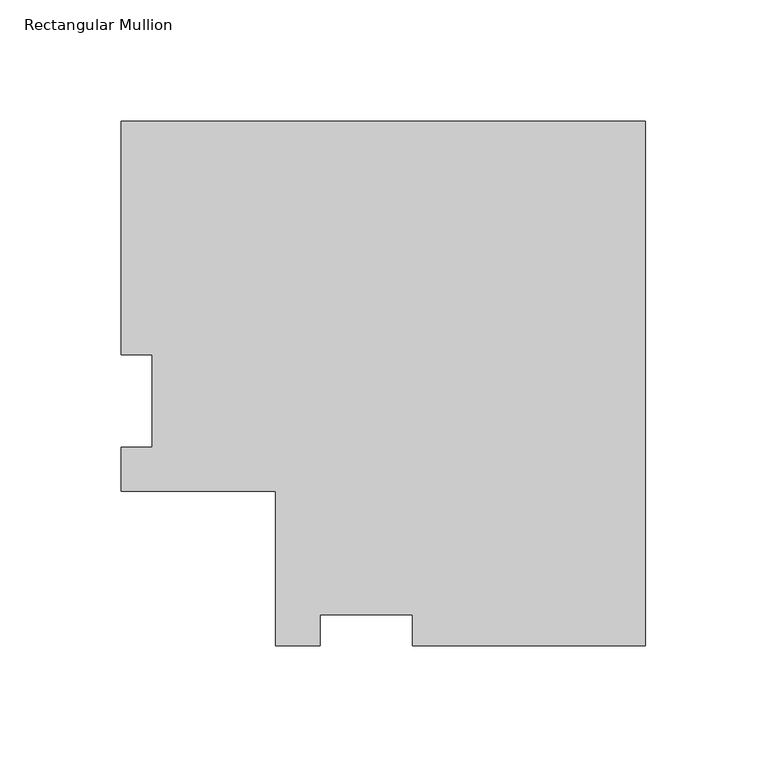
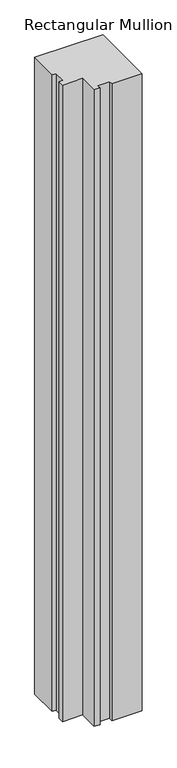
"""IFC4 building model written with IfcOpenShell, lengths in millimetres: member geometry, Rectangular Mullion."""

from ifc_helpers import new_model, si_unit, frame, origin, place, context, project, spatial, polyline, outline, extrude, source, transform, mapped, element, save


def rectangular_mullion_c9bbc443(model_context):
    return source(origin(), model_context, "Body", "SweptSolid", [
        extrude(outline(polyline([(0.0, 152.765125), (0.0, -63.134875), (-96.012, -63.134875), (-96.012, -50.434875), (-134.112, -50.434875), (-134.112, -63.134875), (-152.4, -63.134875), (-152.4, 0.365125), (-215.9, 0.365125), (-215.9, 18.653125), (-203.2, 18.653125), (-203.2, 56.753125), (-215.9, 56.753125), (-215.9, 152.765125), (0.0, 152.765125)])), frame((0.0, 0.0, -2133.6), z_axis=(0.0, 0.0, 1.0), x_axis=(1.0, 0.0, 0.0)), (0.0, 0.0, 1.0), 2133.6),
    ])


if __name__ == "__main__":
    model = new_model("IFC4")
    model_context = context("Model", 3, world=origin())
    ifc_project = project(units=[si_unit("LENGTHUNIT", "METRE", prefix="MILLI")], contexts=[model_context])
    site = spatial("IfcSite", under=ifc_project)
    building = spatial("IfcBuilding", under=site)
    placement = place(None, origin())
    rectangular_mullion_shape = rectangular_mullion_c9bbc443(model_context)
    element("IfcMember", 1, ObjectType="Rectangular Mullion", at=placement, inside=building, context=model_context, shape_type="MappedRepresentation", body=[
        mapped(rectangular_mullion_shape, transform((0.0, 0.0, 0.0), x_axis=(1.0, 0.0, 0.0), y_axis=(0.0, 1.0, 0.0), z_axis=(0.0, 0.0, 1.0))),
    ])
    save(model, "model.ifc")
